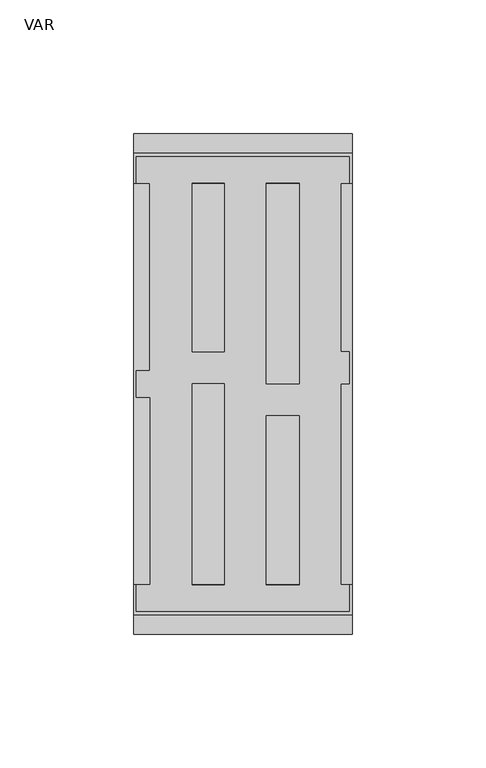
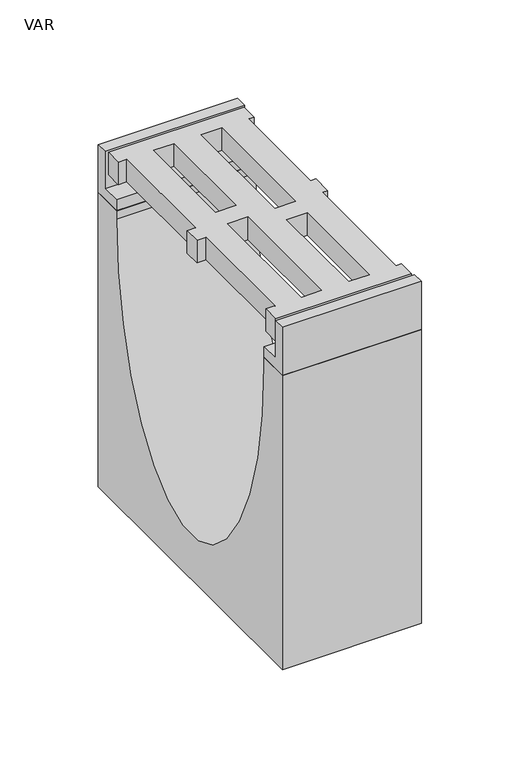
"""IFC4 building model written with IfcOpenShell, lengths in millimetres: flow terminal geometry, VAR."""

from ifc_helpers import new_model, si_unit, point, frame, origin, place, context, project, spatial, polyline, ellipse_curve, trimmed, outline, extrude, source, transform, mapped, element, save
from ifc_brep_helpers import plane_surface, extruded_surface, advanced_brep


def var_551f0362(model_context):
    return source(origin(), model_context, "Body", "SolidModel", [
        extrude(outline(polyline([(80.5770421, 85.0), (80.5770421, 75.0), (77.4, 75.0), (77.4, 11.948473), (80.5770421, 11.948473), (80.5770421, 0.0), (77.4, 0.0), (77.4, -75.0), (80.5770421, -75.0), (80.5770421, -85.0), (1.0, -85.0), (1.0, -75.0), (6.2128411, -75.0), (6.2128411, -5.0), (1.0, -5.0), (1.0, 5.0), (6.0395798, 5.0), (6.0395798, 75.0), (1.0, 75.0), (1.0, 85.0), (80.5770421, 85.0)]), holes=[polyline([(49.6, -75.0), (61.7694762, -75.0), (61.7694762, -11.948473), (49.6, -11.948473), (49.6, -75.0)]), polyline([(61.7694762, 75.0), (49.6, 75.0), (49.6, 0.0), (61.7694762, 0.0), (61.7694762, 75.0)]), polyline([(21.8, -75.0), (33.7570972, -75.0), (33.7570972, 0.0), (21.8, 0.0), (21.8, -75.0)]), polyline([(21.8, 75.0), (21.8, 11.948473), (33.8, 11.948473), (33.8, 75.0), (21.8, 75.0)])]), frame((0.0, 0.0, -14.0), z_axis=(0.0, 0.0, 1.0), x_axis=(1.0, 0.0, 0.0)), (0.0, 0.0, 1.0), 14.0),
        advanced_brep(
        [(81.5770421, -75.0, -30.0), (81.5770421, -93.5, -30.0), (81.5770421, -93.5, -212.0), (81.5770421, 93.5, -212.0), (81.5770421, 93.5, -30.0), (81.5770421, 75.0, -30.0), (81.5770421, 75.0, -35.0), (81.5770421, -75.0, -35.0), (0.0, -75.0, -30.0), (0.0, -75.0, -35.0), (0.0, 75.0, -35.0), (0.0, 75.0, -30.0), (0.0, 93.5, -30.0), (0.0, 93.5, -212.0), (0.0, -93.5, -212.0), (0.0, -93.5, -30.0)],
        [
            (0, 1),
            (1, 2),
            (2, 3),
            (3, 4),
            (4, 5),
            (5, 6),
            (6, 7, ellipse_curve(frame((81.5770421, 0.0, -35.0), z_axis=(-1.0, 0.0, 0.0), x_axis=(0.0, -1.0, 0.0)), 75.0, 150.0)),
            (7, 0),
            (8, 9),
            (9, 10, ellipse_curve(frame((0.0, 0.0, -35.0), z_axis=(1.0, 0.0, 0.0), x_axis=(0.0, -1.0, 0.0)), 75.0, 150.0)),
            (10, 11),
            (11, 12),
            (12, 13),
            (13, 14),
            (14, 15),
            (15, 8),
            (8, 0),
            (7, 9),
            (6, 10),
            (5, 11),
            (4, 12),
            (3, 13),
            (2, 14),
            (1, 15),
        ],
        [
            plane_surface(frame((81.5770421, 0.0, -76.75), z_axis=(1.0, 0.0, 0.0), x_axis=(0.0, 0.0, -1.0))),
            plane_surface(frame((0.0, 0.0, -76.75), z_axis=(-1.0, 0.0, 0.0), x_axis=(0.0, 0.0, -1.0))),
            plane_surface(frame((0.0, -75.0, -32.5), z_axis=(0.0, 1.0, 0.0), x_axis=(0.0, 0.0, -1.0))),
            extruded_surface(trimmed(ellipse_curve(frame((81.5770421, 0.0, -35.0), z_axis=(1.0, 0.0, 0.0), x_axis=(0.0, -1.0, 0.0)), 75.0, 150.0), [point((81.5770421, -75.0, -35.0))], [point((81.5770421, 75.0, -35.0))], True, "CARTESIAN"), (-81.5770421, 0.0, 0.0), 81.5770421),
            plane_surface(frame((0.0, 75.0, -32.5), z_axis=(0.0, -1.0, 0.0), x_axis=(0.0, 0.0, 1.0))),
            plane_surface(frame((0.0, 84.25, -30.0), z_axis=(0.0, 0.0, 1.0), x_axis=(0.0, 1.0, 0.0))),
            plane_surface(frame((0.0, 93.5, -121.0), z_axis=(0.0, 1.0, 0.0), x_axis=(0.0, 0.0, -1.0))),
            plane_surface(frame((0.0, 0.0, -212.0), z_axis=(0.0, 0.0, -1.0), x_axis=(0.0, -1.0, 0.0))),
            plane_surface(frame((0.0, -93.5, -121.0), z_axis=(0.0, -1.0, 0.0), x_axis=(0.0, 0.0, 1.0))),
            plane_surface(frame((0.0, -84.25, -30.0), z_axis=(0.0, 0.0, 1.0), x_axis=(0.0, 1.0, 0.0))),
        ],
        [
            (0, [[1, 2, 3, 4, 5, 6, 7, 8]]),
            (1, [[9, 10, 11, 12, 13, 14, 15, 16]]),
            (2, [[17, -8, 18, -9]]),
            (3, [[-18, -7, 19, -10]]),
            (4, [[-19, -6, 20, -11]]),
            (5, [[-20, -5, 21, -12]]),
            (6, [[-21, -4, 22, -13]]),
            (7, [[-22, -3, 23, -14]]),
            (8, [[-23, -2, 24, -15]]),
            (9, [[-24, -1, -17, -16]]),
        ],
    ),
        extrude(outline(polyline([(-86.5, 0.0), (-86.5, -23.0), (-75.0, -23.0), (-75.0, -30.0), (-93.5, -30.0), (-93.5, 0.0), (-86.5, 0.0)])), frame((0.0, 0.0, 0.0), z_axis=(1.0, 0.0, 0.0), x_axis=(0.0, 1.0, 0.0)), (0.0, 0.0, 1.0), 81.5770421),
        extrude(outline(polyline([(86.5, 0.0), (93.5, 0.0), (93.5, -30.0), (75.0, -30.0), (75.0, -23.0), (86.5, -23.0), (86.5, 0.0)])), frame((0.0, 0.0, 0.0), z_axis=(1.0, 0.0, 0.0), x_axis=(0.0, 1.0, 0.0)), (0.0, 0.0, 1.0), 81.5770421),
    ])


if __name__ == "__main__":
    model = new_model("IFC4")
    model_context = context("Model", 3, world=origin())
    ifc_project = project(units=[si_unit("LENGTHUNIT", "METRE", prefix="MILLI")], contexts=[model_context])
    site = spatial("IfcSite", under=ifc_project)
    building = spatial("IfcBuilding", under=site)
    placement = place(None, origin())
    var_shape = var_551f0362(model_context)
    element("IfcFlowTerminal", 1, ObjectType="VAR", at=placement, inside=building, context=model_context, shape_type="MappedRepresentation", body=[
        mapped(var_shape, transform((0.0, 0.0, 0.0), x_axis=(1.0, 0.0, 0.0), y_axis=(0.0, 1.0, 0.0), z_axis=(0.0, 0.0, 1.0))),
    ])
    save(model, "model.ifc")
